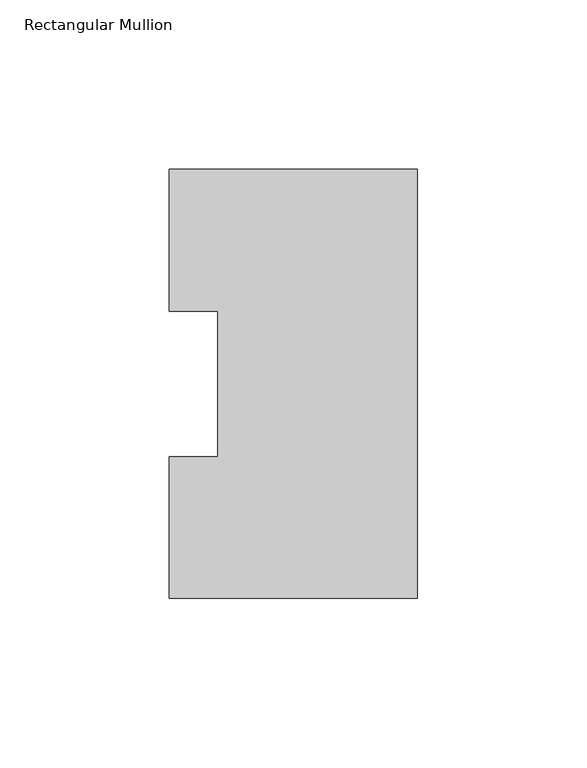
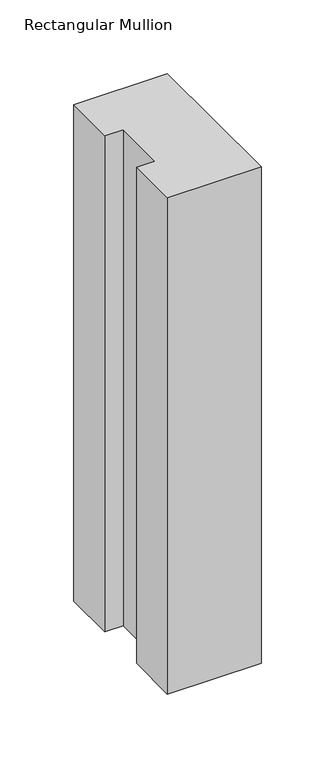
"""IFC4 building model written with IfcOpenShell, lengths in millimetres: member geometry, Rectangular Mullion."""

from ifc_helpers import new_model, si_unit, frame, origin, place, context, project, spatial, polyline, outline, extrude, source, transform, mapped, element, save


def rectangular_mullion_607ca373(model_context):
    return source(origin(), model_context, "Body", "SweptSolid", [
        extrude(outline(polyline([(0.0, 126.4546937), (0.0, -0.0373063), (-73.025, -0.0373063), (-73.025, 41.7837937), (-58.7375, 41.7837937), (-58.7375, 84.6335938), (-73.025, 84.6335938), (-73.025, 126.4546937), (0.0, 126.4546937)])), frame((0.0, 0.0, -409.575), z_axis=(0.0, 0.0, 1.0), x_axis=(1.0, 0.0, 0.0)), (0.0, 0.0, 1.0), 409.575),
    ])


if __name__ == "__main__":
    model = new_model("IFC4")
    model_context = context("Model", 3, world=origin())
    ifc_project = project(units=[si_unit("LENGTHUNIT", "METRE", prefix="MILLI")], contexts=[model_context])
    site = spatial("IfcSite", under=ifc_project)
    building = spatial("IfcBuilding", under=site)
    placement = place(None, origin())
    rectangular_mullion_shape = rectangular_mullion_607ca373(model_context)
    element("IfcMember", 1, ObjectType="Rectangular Mullion", at=placement, inside=building, context=model_context, shape_type="MappedRepresentation", body=[
        mapped(rectangular_mullion_shape, transform((0.0, 0.0, 0.0), x_axis=(1.0, 0.0, 0.0), y_axis=(0.0, 1.0, 0.0), z_axis=(0.0, 0.0, 1.0))),
    ])
    save(model, "model.ifc")
